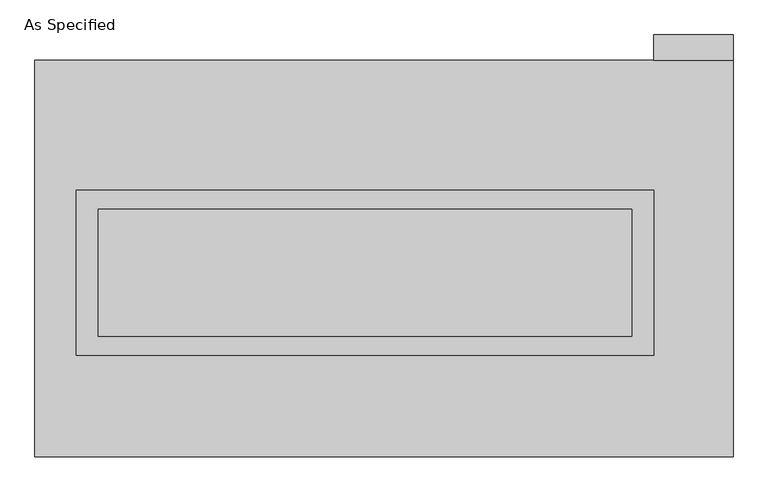
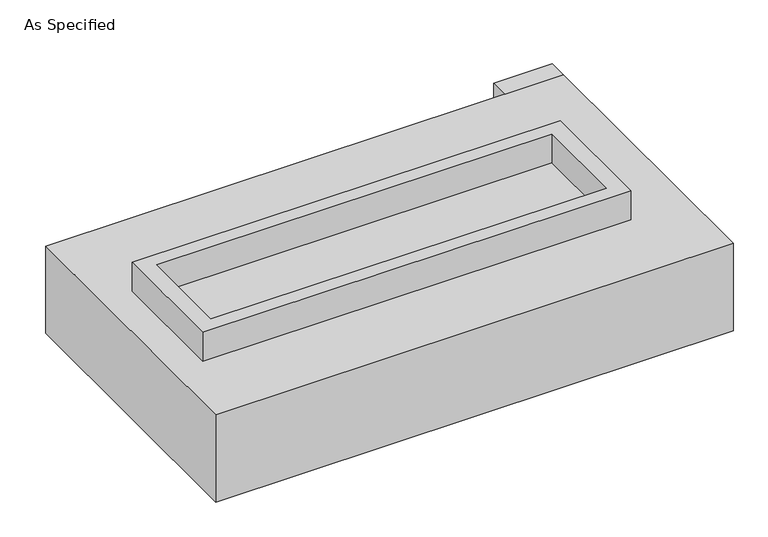
"""IFC4 building model written with IfcOpenShell, lengths in millimetres: proxy geometry, As Specified."""

from ifc_helpers import new_model, si_unit, frame, origin, place, context, project, spatial, polyline, outline, extrude, faceted_brep, source, transform, mapped, element, save


def as_specified_98e57249(model_context):
    return source(origin(), model_context, "Body", "SolidModel", [
        extrude(outline(polyline([(1155.7, 273.05), (1155.7, -387.35), (-1155.7, -387.35), (-1155.7, 273.05), (1155.7, 273.05)]), holes=[polyline([(1066.8, 196.85), (-1066.8, 196.85), (-1066.8, -311.15), (1066.8, -311.15), (1066.8, 196.85)])]), frame((0.0, 0.0, -25.4), z_axis=(0.0, 0.0, 1.0), x_axis=(1.0, 0.0, 0.0)), (0.0, 0.0, 1.0), 165.1),
        extrude(outline(polyline([(1155.7, 793.75), (1155.7, 895.35), (1473.2, 895.35), (1473.2, 793.75), (1155.7, 793.75)])), frame((0.0, 0.0, -523.875), z_axis=(0.0, 0.0, 1.0), x_axis=(1.0, 0.0, 0.0)), (0.0, 0.0, 1.0), 498.475),
        extrude(outline(polyline([(1066.8, 196.85), (1066.8, -311.15), (-1066.8, -311.15), (-1066.8, 196.85), (1066.8, 196.85)])), frame((0.0, 0.0, -30.3609375), z_axis=(0.0, 0.0, 1.0), x_axis=(1.0, 0.0, 0.0)), (0.0, 0.0, 1.0), 4.9609375),
        faceted_brep([(1473.2, -793.75, -523.875), (-1320.8, -793.75, -523.875), (-1320.8, 793.75, -523.875), (1473.2, 793.75, -523.875), (1473.2, 793.75, -25.4), (-1320.8, 793.75, -25.4), (-1320.8, -793.75, -25.4), (1473.2, -793.75, -25.4), (1155.7, 273.05, -25.4), (1155.7, -387.35, -25.4), (-1155.7, -387.35, -25.4), (-1155.7, 273.05, -25.4), (1155.7, 273.05, -498.475), (-1155.7, 273.05, -498.475), (-1155.7, -387.35, -498.475), (1155.7, -387.35, -498.475)], [[[0, 1, 2, 3]], [[4, 5, 6, 7], [8, 9, 10, 11]], [[3, 2, 5, 4]], [[2, 1, 6, 5]], [[0, 3, 4, 7]], [[12, 13, 14, 15]], [[14, 13, 11, 10]], [[13, 12, 8, 11]], [[12, 15, 9, 8]], [[10, 9, 15, 14]], [[1, 0, 7, 6]]]),
    ])


if __name__ == "__main__":
    model = new_model("IFC4")
    model_context = context("Model", 3, world=origin())
    ifc_project = project(units=[si_unit("LENGTHUNIT", "METRE", prefix="MILLI")], contexts=[model_context])
    site = spatial("IfcSite", under=ifc_project)
    building = spatial("IfcBuilding", under=site)
    placement = place(None, origin())
    as_specified_shape = as_specified_98e57249(model_context)
    element("IfcBuildingElementProxy", 1, Name="As Specified", ObjectType="As Specified", at=placement, inside=building, context=model_context, shape_type="MappedRepresentation", body=[
        mapped(as_specified_shape, transform((0.0, 0.0, 0.0), x_axis=(1.0, 0.0, 0.0), y_axis=(0.0, 1.0, 0.0), z_axis=(0.0, 0.0, 1.0))),
    ])
    save(model, "model.ifc")
